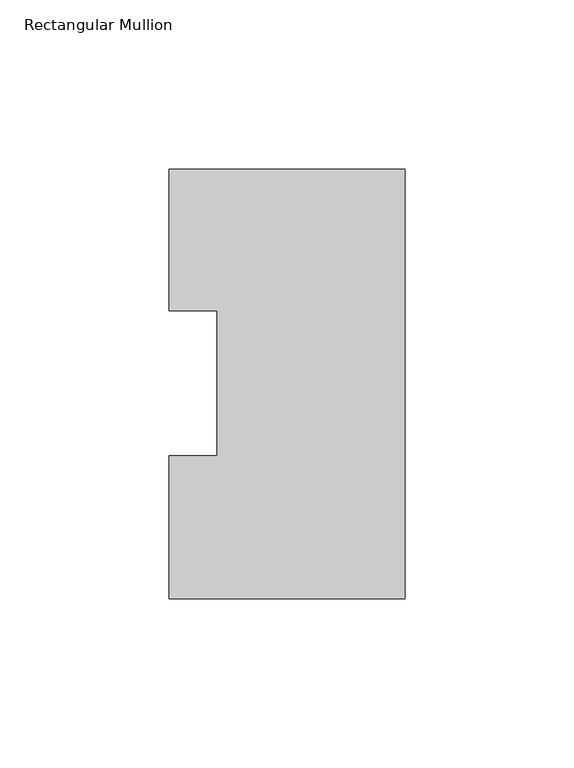
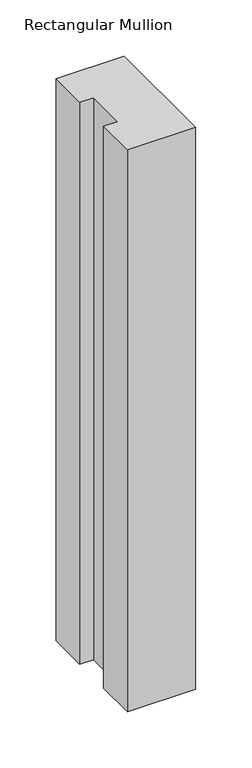
"""IFC4 building model written with IfcOpenShell, lengths in millimetres: member geometry, Rectangular Mullion."""

from ifc_helpers import new_model, si_unit, frame, origin, place, context, project, spatial, polyline, outline, extrude, source, transform, mapped, element, save


def rectangular_mullion_37c00346(model_context):
    return source(origin(), model_context, "Body", "SweptSolid", [
        extrude(outline(polyline([(-69.8489149, 126.9888875), (0.0, 126.9888875), (0.0, -0.0111125), (-69.8489149, -0.0111125), (-69.8489149, 42.2798875), (-55.5639549, 42.2798875), (-55.5639549, 85.1296875), (-69.8489149, 85.1296875), (-69.8489149, 126.9888875)])), frame((0.0, 0.0, -609.6), z_axis=(0.0, 0.0, 1.0), x_axis=(1.0, 0.0, 0.0)), (0.0, 0.0, 1.0), 609.6),
    ])


if __name__ == "__main__":
    model = new_model("IFC4")
    model_context = context("Model", 3, world=origin())
    ifc_project = project(units=[si_unit("LENGTHUNIT", "METRE", prefix="MILLI")], contexts=[model_context])
    site = spatial("IfcSite", under=ifc_project)
    building = spatial("IfcBuilding", under=site)
    placement = place(None, origin())
    rectangular_mullion_shape = rectangular_mullion_37c00346(model_context)
    element("IfcMember", 1, ObjectType="Rectangular Mullion", at=placement, inside=building, context=model_context, shape_type="MappedRepresentation", body=[
        mapped(rectangular_mullion_shape, transform((0.0, 0.0, 0.0), x_axis=(1.0, 0.0, 0.0), y_axis=(0.0, 1.0, 0.0), z_axis=(0.0, 0.0, 1.0))),
    ])
    save(model, "model.ifc")
